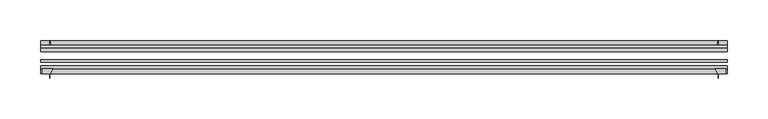
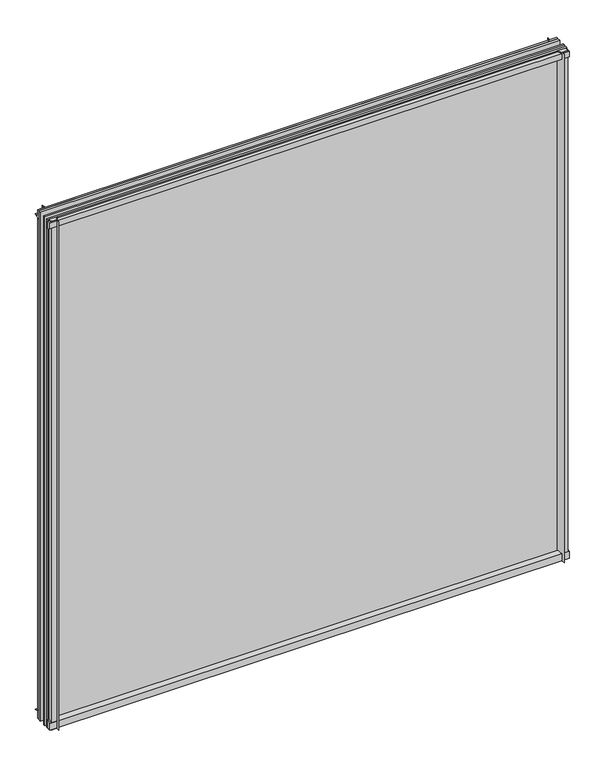
"""IFC4 building model written with IfcOpenShell, lengths in millimetres: plate geometry."""

from ifc_helpers import new_model, si_unit, point, frame, frame_2d, origin, place, context, project, spatial, polyline, circle_curve, trimmed, segment, composite_curve, outline, extrude, source, transform, mapped, element, save


def plate_9709c074(model_context):
    return source(origin(), model_context, "Body", "SweptSolid", [
        extrude(outline(composite_curve([segment(trimmed(circle_curve(frame_2d((-80.4922797, 17.8701603)), 18.6769817), [point((-74.641075, 0.1333891))], [point((-68.291075, 3.72943))], True, "CARTESIAN"), True, "CONTINUOUS"), segment(polyline([(-68.291075, 3.72943), (-68.291075, -11.11885), (-74.641075, -11.11885), (-74.641075, 0.1333891)]), True, "CONTINUOUS")], self_intersect=False)), frame((-423.8624997, 0.0, 0.0), z_axis=(1.0, 0.0, 0.0), x_axis=(0.0, 1.0, 0.0)), (0.0, 0.0, 1.0), 847.7249994),
        extrude(outline(composite_curve([segment(polyline([(-42.891075, -11.90625), (-42.891075, 3.8539528)]), True, "CONTINUOUS"), segment(trimmed(circle_curve(frame_2d((-26.637892, 29.5913262)), 30.4397495), [point((-42.891075, 3.8539528))], [point((-33.7745413, 0.0))], True, "CARTESIAN"), True, "CONTINUOUS"), segment(polyline([(-33.7745413, 0.0), (-39.690675, 0.0), (-39.690675, -11.90625), (-42.891075, -11.90625)]), True, "CONTINUOUS")], self_intersect=False)), frame((-423.8624997, 0.0, 0.0), z_axis=(1.0, 0.0, 0.0), x_axis=(0.0, 1.0, 0.0)), (0.0, 0.0, 1.0), 847.7249994),
        extrude(outline(composite_curve([segment(polyline([(-42.891075, 850.2083472), (-42.891075, 865.1875), (-39.690675, 865.1875), (-39.690675, 854.075), (-33.721675, 854.075)]), True, "CONTINUOUS"), segment(trimmed(circle_curve(frame_2d((-26.637892, 824.4709738)), 30.4397495), [point((-33.721675, 854.075))], [point((-42.891075, 850.2083472))], True, "CARTESIAN"), True, "CONTINUOUS")], self_intersect=False)), frame((-423.8624997, 0.0, 0.0), z_axis=(1.0, 0.0, 0.0), x_axis=(0.0, 1.0, 0.0)), (0.0, 0.0, 1.0), 847.7249994),
        extrude(outline(composite_curve([segment(polyline([(-68.291075, 862.8126), (-68.291075, 849.53912)]), True, "CONTINUOUS"), segment(trimmed(circle_curve(frame_2d((-80.4922797, 835.3983897)), 18.6769817), [point((-68.291075, 849.53912))], [point((-74.641075, 853.1351609))], True, "CARTESIAN"), True, "CONTINUOUS"), segment(polyline([(-74.641075, 853.1351609), (-74.641075, 862.8126), (-68.291075, 862.8126)]), True, "CONTINUOUS")], self_intersect=False)), frame((-423.8624997, 0.0, 0.0), z_axis=(1.0, 0.0, 0.0), x_axis=(0.0, 1.0, 0.0)), (0.0, 0.0, 1.0), 847.7249994),
        extrude(outline(composite_curve([segment(polyline([(408.2141197, -68.291075), (421.4875997, -68.291075), (421.4875997, -74.641075), (412.7499997, -74.641075), (412.7499997, -80.3744844)]), True, "CONTINUOUS"), segment(trimmed(circle_curve(frame_2d((394.0733894, -80.4922797)), 18.6769817), [point((412.7499997, -80.3744844))], [point((408.2141197, -68.291075))], True, "CARTESIAN"), True, "CONTINUOUS")], self_intersect=False)), frame((0.0, 0.0, -11.90625), z_axis=(0.0, 0.0, 1.0), x_axis=(1.0, 0.0, 0.0)), (0.0, 0.0, 1.0), 877.09375),
        extrude(outline(composite_curve([segment(trimmed(circle_curve(frame_2d((383.1459735, -26.637892)), 30.4397495), [point((408.883347, -42.891075))], [point((412.7499997, -33.721675))], True, "CARTESIAN"), True, "CONTINUOUS"), segment(polyline([(412.7499997, -33.721675), (412.7499997, -39.690675), (423.8624997, -39.690675), (423.8624997, -42.891075), (408.883347, -42.891075)]), True, "CONTINUOUS")], self_intersect=False)), frame((0.0, 0.0, -11.90625), z_axis=(0.0, 0.0, 1.0), x_axis=(1.0, 0.0, 0.0)), (0.0, 0.0, 1.0), 877.09375),
        extrude(outline(composite_curve([segment(trimmed(circle_curve(frame_2d((-394.0733894, -80.4922797)), 18.6769817), [point((-408.2141197, -68.291075))], [point((-412.7499997, -80.3744844))], True, "CARTESIAN"), True, "CONTINUOUS"), segment(polyline([(-412.7499997, -80.3744844), (-412.7499997, -74.641075), (-421.4875997, -74.641075), (-421.4875997, -68.291075), (-408.2141197, -68.291075)]), True, "CONTINUOUS")], self_intersect=False)), frame((0.0, 0.0, -11.90625), z_axis=(0.0, 0.0, 1.0), x_axis=(1.0, 0.0, 0.0)), (0.0, 0.0, 1.0), 877.09375),
        extrude(outline(composite_curve([segment(polyline([(-408.883347, -42.891075), (-423.8624997, -42.891075), (-423.8624997, -39.690675), (-412.7499997, -39.690675), (-412.7499997, -33.721675)]), True, "CONTINUOUS"), segment(trimmed(circle_curve(frame_2d((-383.1459735, -26.637892)), 30.4397495), [point((-412.7499997, -33.721675))], [point((-408.883347, -42.891075))], True, "CARTESIAN"), True, "CONTINUOUS")], self_intersect=False)), frame((0.0, 0.0, -11.90625), z_axis=(0.0, 0.0, 1.0), x_axis=(1.0, 0.0, 0.0)), (0.0, 0.0, 1.0), 877.09375),
        extrude(outline(polyline([(-423.8624997, -42.891075), (423.8624997, -42.891075), (423.8624997, -47.653575), (-423.8624997, -47.653575), (-423.8624997, -42.891075)])), frame((0.0, 0.0, -11.90625), z_axis=(0.0, 0.0, 1.0), x_axis=(1.0, 0.0, 0.0)), (0.0, 0.0, 1.0), 877.09375),
        extrude(outline(polyline([(423.8624997, -57.369075), (423.8624997, -60.544075), (-423.8624997, -60.544075), (-423.8624997, -57.369075), (423.8624997, -57.369075)])), frame((0.0, 0.0, -11.90625), z_axis=(0.0, 0.0, 1.0), x_axis=(1.0, 0.0, 0.0)), (0.0, 0.0, 1.0), 877.09375),
        extrude(outline(polyline([(-423.8624997, -65.116075), (423.8624997, -65.116075), (423.8624997, -68.291075), (-423.8624997, -68.291075), (-423.8624997, -65.116075)])), frame((0.0, 0.0, -11.90625), z_axis=(0.0, 0.0, 1.0), x_axis=(1.0, 0.0, 0.0)), (0.0, 0.0, 1.0), 877.09375),
    ])


if __name__ == "__main__":
    model = new_model("IFC4")
    model_context = context("Model", 3, world=origin())
    ifc_project = project(units=[si_unit("LENGTHUNIT", "METRE", prefix="MILLI")], contexts=[model_context])
    site = spatial("IfcSite", under=ifc_project)
    building = spatial("IfcBuilding", under=site)
    placement = place(None, origin())
    plate_shape = plate_9709c074(model_context)
    element("IfcPlate", 1, at=placement, inside=building, context=model_context, shape_type="MappedRepresentation", body=[
        mapped(plate_shape, transform((0.0, 0.0, 0.0), x_axis=(1.0, 0.0, 0.0), y_axis=(0.0, 1.0, 0.0), z_axis=(0.0, 0.0, 1.0))),
    ])
    save(model, "model.ifc")
